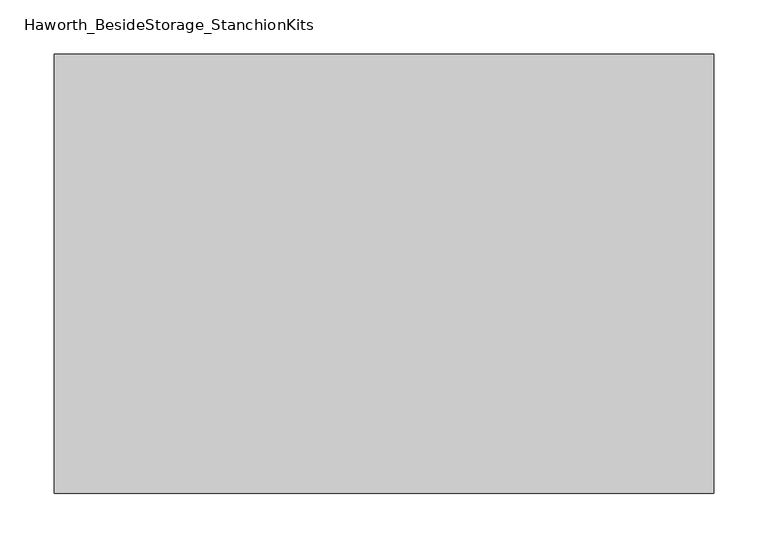
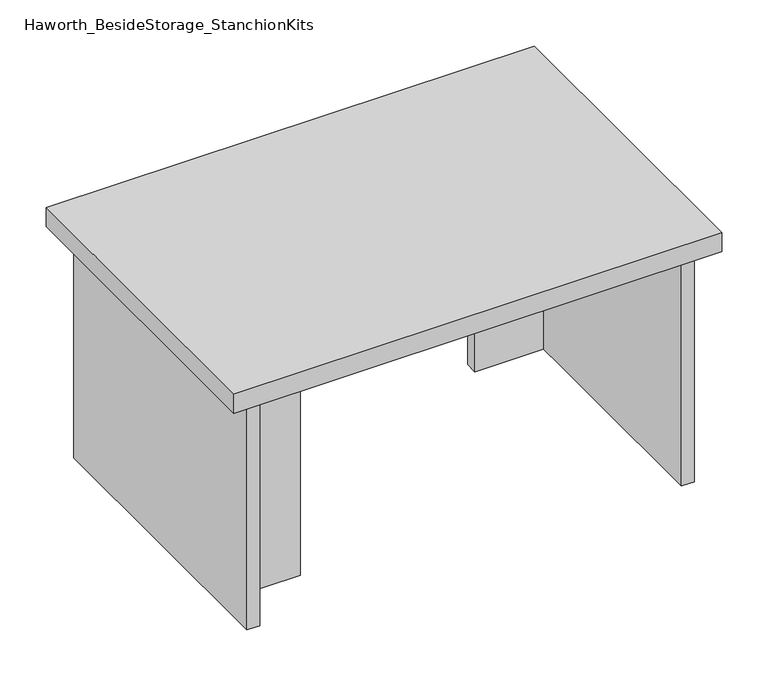
"""IFC4 building model written with IfcOpenShell, lengths in millimetres: furniture geometry, Haworth_BesideStorage_StanchionKits."""

from ifc_helpers import new_model, si_unit, frame, origin, place, context, project, spatial, polyline, outline, extrude, source, transform, mapped, element, save


def haworth_besidestorage_stanchionkits_f312b9ed(model_context):
    return source(origin(), model_context, "Body", "SweptSolid", [
        extrude(outline(polyline([(466.725, 0.0), (466.725, -406.4), (-142.875, -406.4), (-142.875, 0.0), (466.725, 0.0)])), frame((0.0, 0.0, 736.6), z_axis=(0.0, 0.0, 1.0), x_axis=(1.0, 0.0, 0.0)), (0.0, 0.0, 1.0), 25.4),
        extrude(outline(polyline([(339.725, -76.2), (425.45, -76.2), (425.45, -92.075), (339.725, -92.075), (339.725, -76.2)])), frame((0.0, 0.0, 431.8), z_axis=(0.0, 0.0, 1.0), x_axis=(1.0, 0.0, 0.0)), (0.0, 0.0, 1.0), 304.8),
        extrude(outline(polyline([(-15.875, -314.325), (-15.875, -330.2), (-101.6, -330.2), (-101.6, -314.325), (-15.875, -314.325)])), frame((0.0, 0.0, 431.8), z_axis=(0.0, 0.0, 1.0), x_axis=(1.0, 0.0, 0.0)), (0.0, 0.0, 1.0), 304.8),
        extrude(outline(polyline([(441.325, -390.525), (425.45, -390.525), (425.45, -15.875), (441.325, -15.875), (441.325, -390.525)])), frame((0.0, 0.0, 431.8), z_axis=(0.0, 0.0, 1.0), x_axis=(1.0, 0.0, 0.0)), (0.0, 0.0, 1.0), 304.8),
        extrude(outline(polyline([(-101.6, -390.525), (-117.475, -390.525), (-117.475, -15.875), (-101.6, -15.875), (-101.6, -390.525)])), frame((0.0, 0.0, 431.8), z_axis=(0.0, 0.0, 1.0), x_axis=(1.0, 0.0, 0.0)), (0.0, 0.0, 1.0), 304.8),
    ])


if __name__ == "__main__":
    model = new_model("IFC4")
    model_context = context("Model", 3, world=origin())
    ifc_project = project(units=[si_unit("LENGTHUNIT", "METRE", prefix="MILLI")], contexts=[model_context])
    site = spatial("IfcSite", under=ifc_project)
    building = spatial("IfcBuilding", under=site)
    placement = place(None, origin())
    haworth_besidestorage_stanchionkits_shape = haworth_besidestorage_stanchionkits_f312b9ed(model_context)
    element("IfcFurniture", 1, ObjectType="Haworth_BesideStorage_StanchionKits", at=placement, inside=building, context=model_context, shape_type="MappedRepresentation", body=[
        mapped(haworth_besidestorage_stanchionkits_shape, transform((0.0, 0.0, 0.0), x_axis=(1.0, 0.0, 0.0), y_axis=(0.0, 1.0, 0.0), z_axis=(0.0, 0.0, 1.0))),
    ])
    save(model, "model.ifc")
